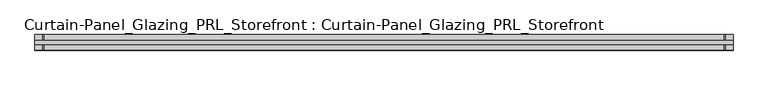
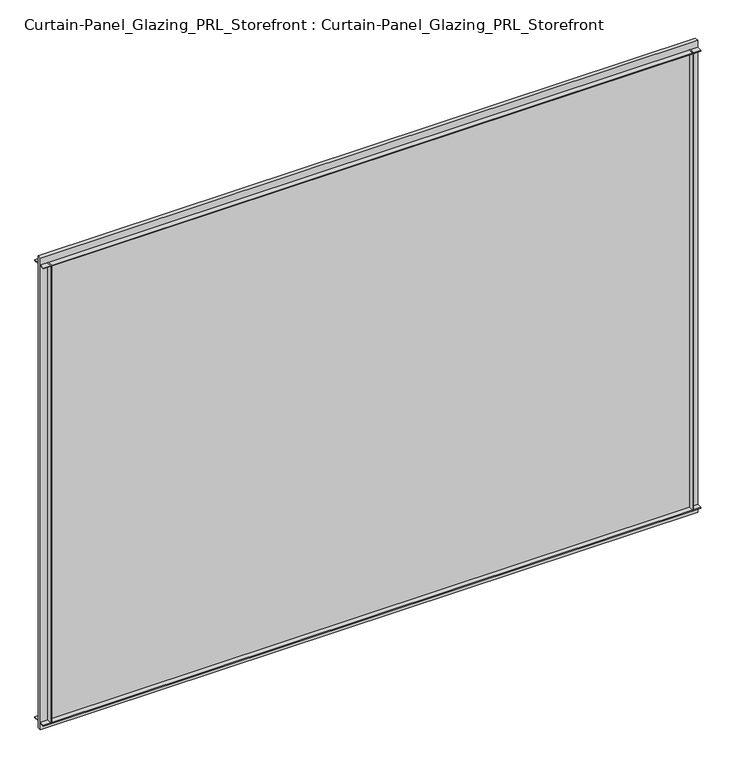
"""IFC4 building model written with IfcOpenShell, lengths in millimetres: plate geometry, Curtain-Panel_Glazing_PRL_Storefront : Curtain-Panel_Glazing_PRL_Storefront."""

from ifc_helpers import new_model, si_unit, frame, origin, origin_with_axes, place, context, project, spatial, polyline, outline, extrude, source, transform, mapped, element, save


def curtain_panel_glazing_prl_storefront_curtain_panel_glazing_fa259d21(model_context):
    return source(origin(), model_context, "Body", "SweptSolid", [
        extrude(outline(polyline([(577.85, -12.7), (576.2625, -12.7), (576.2625, -3.175), (577.85, -3.175), (577.85, -12.7)])), frame((0.0, 0.0, 12.7), z_axis=(0.0, 0.0, 1.0), x_axis=(1.0, 0.0, 0.0)), (0.0, 0.0, 1.0), 841.375),
        extrude(outline(polyline([(577.85, 12.7), (577.85, 3.175), (576.2625, 3.175), (576.2625, 12.7), (577.85, 12.7)])), frame((0.0, 0.0, 12.7), z_axis=(0.0, 0.0, 1.0), x_axis=(1.0, 0.0, 0.0)), (0.0, 0.0, 1.0), 841.375),
        extrude(outline(polyline([(-539.75, -12.7), (-539.75, -3.175), (-538.1625, -3.175), (-538.1625, -12.7), (-539.75, -12.7)])), frame((0.0, 0.0, 12.7), z_axis=(0.0, 0.0, 1.0), x_axis=(1.0, 0.0, 0.0)), (0.0, 0.0, 1.0), 841.375),
        extrude(outline(polyline([(-539.75, 12.7), (-538.1625, 12.7), (-538.1625, 3.175), (-539.75, 3.175), (-539.75, 12.7)])), frame((0.0, 0.0, 12.7), z_axis=(0.0, 0.0, 1.0), x_axis=(1.0, 0.0, 0.0)), (0.0, 0.0, 1.0), 841.375),
        extrude(outline(polyline([(590.55, 3.175), (590.55, -3.175), (-552.45, -3.175), (-552.45, 3.175), (590.55, 3.175)])), origin_with_axes(), (0.0, 0.0, 1.0), 866.775),
        extrude(outline(polyline([(-552.45, -12.7), (-552.45, -3.175), (590.55, -3.175), (590.55, -12.7), (-552.45, -12.7)])), frame((0.0, 0.0, 852.4875), z_axis=(0.0, 0.0, 1.0), x_axis=(1.0, 0.0, 0.0)), (0.0, 0.0, 1.0), 1.5875),
        extrude(outline(polyline([(-552.45, 12.7), (590.55, 12.7), (590.55, 3.175), (-552.45, 3.175), (-552.45, 12.7)])), frame((0.0, 0.0, 852.4875), z_axis=(0.0, 0.0, 1.0), x_axis=(1.0, 0.0, 0.0)), (0.0, 0.0, 1.0), 1.5875),
        extrude(outline(polyline([(-552.45, -12.7), (-552.45, -3.175), (590.55, -3.175), (590.55, -12.7), (-552.45, -12.7)])), frame((0.0, 0.0, 12.7), z_axis=(0.0, 0.0, 1.0), x_axis=(1.0, 0.0, 0.0)), (0.0, 0.0, 1.0), 1.5875),
        extrude(outline(polyline([(-552.45, 12.7), (590.55, 12.7), (590.55, 3.175), (-552.45, 3.175), (-552.45, 12.7)])), frame((0.0, 0.0, 12.7), z_axis=(0.0, 0.0, 1.0), x_axis=(1.0, 0.0, 0.0)), (0.0, 0.0, 1.0), 1.5875),
    ])


if __name__ == "__main__":
    model = new_model("IFC4")
    model_context = context("Model", 3, world=origin())
    ifc_project = project(units=[si_unit("LENGTHUNIT", "METRE", prefix="MILLI")], contexts=[model_context])
    site = spatial("IfcSite", under=ifc_project)
    building = spatial("IfcBuilding", under=site)
    placement = place(None, origin())
    curtain_panel_glazing_prl_storefront_curtain_panel_glazing_shape = curtain_panel_glazing_prl_storefront_curtain_panel_glazing_fa259d21(model_context)
    element("IfcPlate", 1, ObjectType="Curtain-Panel_Glazing_PRL_Storefront : Curtain-Panel_Glazing_PRL_Storefront", at=placement, inside=building, context=model_context, shape_type="MappedRepresentation", body=[
        mapped(curtain_panel_glazing_prl_storefront_curtain_panel_glazing_shape, transform((0.0, 0.0, 0.0), x_axis=(1.0, 0.0, 0.0), y_axis=(0.0, 1.0, 0.0), z_axis=(0.0, 0.0, 1.0))),
    ])
    save(model, "model.ifc")
